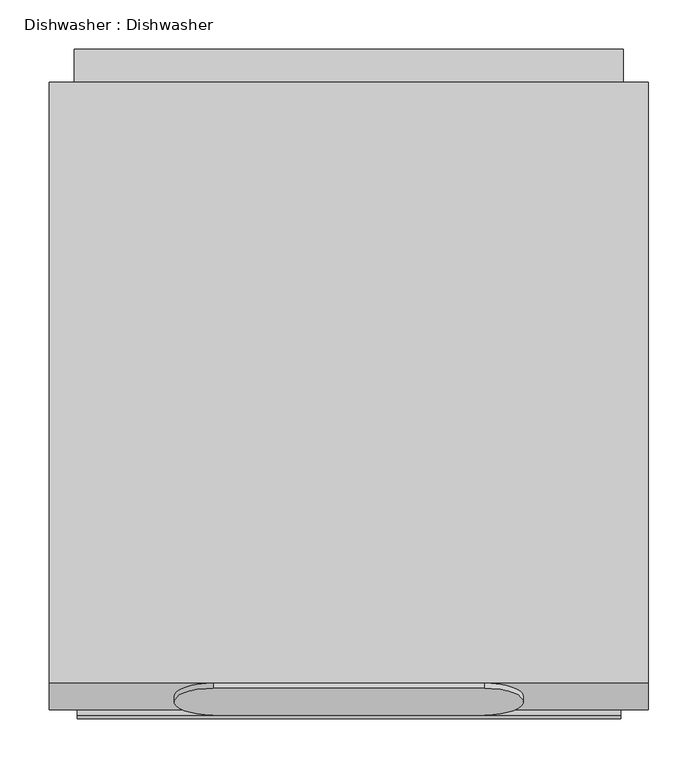
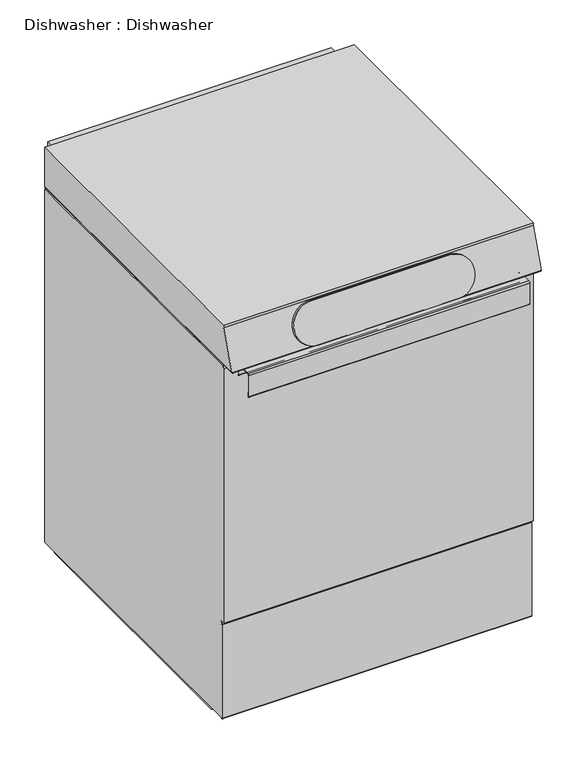
"""IFC4 building model written with IfcOpenShell, lengths in millimetres: proxy geometry, Dishwasher : Dishwasher."""

from ifc_helpers import new_model, si_unit, point, frame, frame_2d, origin, place, context, project, spatial, polyline, circle_curve, ellipse_curve, trimmed, segment, composite_curve, outline, extrude, source, transform, mapped, element, save
from ifc_brep_helpers import plane_surface, cylinder_surface, revolved_surface, advanced_brep


def dishwasher_dishwasher_46aedfeb(model_context):
    return source(origin(), model_context, "Body", "SolidModel", [
        extrude(outline(composite_curve([segment(polyline([(-309.0799254, 714.1088372), (-309.0799254, 731.9522064)]), True, "CONTINUOUS"), segment(trimmed(circle_curve(frame_2d((-310.6801254, 731.9522064)), 1.6002), [point((-309.0799254, 731.9522064))], [point((-310.6801254, 733.5524064))], True, "CARTESIAN"), True, "CONTINUOUS"), segment(polyline([(-310.6801254, 733.5524064), (-340.0169984, 733.5524064)]), True, "CONTINUOUS"), segment(trimmed(circle_curve(frame_2d((-340.0169984, 731.951927)), 1.6004794), [point((-340.0169984, 733.5524064))], [point((-341.6174778, 731.951927))], True, "CARTESIAN"), True, "CONTINUOUS"), segment(polyline([(-341.6174778, 731.951927), (-341.6174778, 696.6462318), (-340.4236524, 696.6462318), (-340.4236524, 688.3150572)]), True, "CONTINUOUS"), segment(trimmed(circle_curve(frame_2d((-341.6173381, 688.3150572)), 1.1936857), [point((-340.4236524, 688.3150572))], [point((-342.8110238, 688.3150572))], False, "CARTESIAN"), True, "CONTINUOUS"), segment(polyline([(-342.8110238, 688.3150572), (-342.8110238, 731.9522064)]), True, "CONTINUOUS"), segment(trimmed(circle_curve(frame_2d((-340.0169984, 731.9522064)), 2.7940254), [point((-342.8110238, 731.9522064))], [point((-340.0169984, 734.7462318))], False, "CARTESIAN"), True, "CONTINUOUS"), segment(polyline([(-340.0169984, 734.7462318), (-310.6801254, 734.7462318)]), True, "CONTINUOUS"), segment(trimmed(circle_curve(frame_2d((-310.6801254, 731.9522064)), 2.7940254), [point((-310.6801254, 734.7462318))], [point((-307.8861, 731.9522064))], False, "CARTESIAN"), True, "CONTINUOUS"), segment(polyline([(-307.8861, 731.9522064), (-307.8861, 714.108859)]), True, "CONTINUOUS"), segment(trimmed(circle_curve(frame_2d((-306.2987016, 714.108859)), 1.5873984), [point((-307.8861, 714.108859))], [point((-306.2987016, 712.5214606))], True, "CARTESIAN"), True, "CONTINUOUS"), segment(polyline([(-306.2987016, 712.5214606), (-306.2987016, 711.3276134)]), True, "CONTINUOUS"), segment(trimmed(circle_curve(frame_2d((-306.2987016, 714.1088372)), 2.7812238), [point((-306.2987016, 711.3276134))], [point((-309.0799254, 714.1088372))], False, "CARTESIAN"), True, "CONTINUOUS")], self_intersect=False)), frame((-275.8126056, 0.0, 0.0), z_axis=(1.0, 0.0, 0.0), x_axis=(0.0, 1.0, 0.0)), (0.0, 0.0, 1.0), 551.6362348),
        extrude(outline(composite_curve([segment(trimmed(circle_curve(frame_2d((-260.2605412, 7.937881)), 7.937881), [point((-260.2605412, 0.0))], [point((-267.5356295, 4.7625))], False, "CARTESIAN"), True, "CONTINUOUS"), segment(polyline([(-267.5356295, 4.7625), (274.0655123, 4.7625)]), True, "CONTINUOUS"), segment(trimmed(circle_curve(frame_2d((266.790424, 7.937881)), 7.937881), [point((274.0655123, 4.7625))], [point((266.790424, 0.0))], False, "CARTESIAN"), True, "CONTINUOUS"), segment(polyline([(266.790424, 0.0), (-260.2605412, 0.0)]), True, "CONTINUOUS")], self_intersect=False)), frame((-302.7987086, 0.0, 0.0), z_axis=(1.0, 0.0, 0.0), x_axis=(0.0, 1.0, 0.0)), (0.0, 0.0, 1.0), 26.1611872),
        extrude(outline(composite_curve([segment(trimmed(circle_curve(frame_2d((-260.2605412, 7.937881)), 7.937881), [point((-260.2605412, 0.0))], [point((-267.5356295, 4.7625))], False, "CARTESIAN"), True, "CONTINUOUS"), segment(polyline([(-267.5356295, 4.7625), (274.0655123, 4.7625)]), True, "CONTINUOUS"), segment(trimmed(circle_curve(frame_2d((266.790424, 7.937881)), 7.937881), [point((274.0655123, 4.7625))], [point((266.790424, 0.0))], False, "CARTESIAN"), True, "CONTINUOUS"), segment(polyline([(266.790424, 0.0), (-260.2605412, 0.0)]), True, "CONTINUOUS")], self_intersect=False)), frame((276.6375214, 0.0, 0.0), z_axis=(1.0, 0.0, 0.0), x_axis=(0.0, 1.0, 0.0)), (0.0, 0.0, 1.0), 26.1611872),
        extrude(outline(composite_curve([segment(polyline([(137.4666791, -48.5559241), (-137.4666791, -48.5559241)]), True, "CONTINUOUS"), segment(trimmed(circle_curve(frame_2d((-137.4666791, -8.8758189)), 39.6801052), [point((-137.4666791, -48.5559241))], [point((-137.4666791, 30.8042864))], False, "CARTESIAN"), True, "CONTINUOUS"), segment(polyline([(-137.4666791, 30.8042864), (137.4666791, 30.8042864)]), True, "CONTINUOUS"), segment(trimmed(circle_curve(frame_2d((137.4666791, -8.8758189)), 39.6801052), [point((137.4666791, 30.8042864))], [point((137.4666791, -48.5559241))], False, "CARTESIAN"), True, "CONTINUOUS")], self_intersect=False)), frame((0.0, -317.3980195, 789.2209938), z_axis=(0.0, -0.9396926207859075, 0.3420201433256714), x_axis=(1.0, 0.0, 0.0)), (0.0, 0.0, 1.0), 5.4860486),
        extrude(outline(polyline([(303.3017302, 739.7244032), (303.3017302, 807.3647556), (336.55, 807.3647556), (336.55, 736.7272032), (303.3014254, 736.7272032), (303.3014254, 738.2253714), (-293.5986, 738.2253714), (-293.5986, 739.7244032), (303.3017302, 739.7244032)])), frame((-278.60625, 0.0, 0.0), z_axis=(1.0, 0.0, 0.0), x_axis=(0.0, 1.0, 0.0)), (0.0, 0.0, 1.0), 557.2125),
        advanced_brep(
        [(304.00625, 303.3017302, 825.5), (304.00625, -306.2987016, 825.5), (304.00625, -306.2987016, 819.7161191), (304.00625, -334.0051236, 743.5933502), (304.00625, 303.3017302, 743.5933502), (-304.00625, -334.0051236, 743.5933502), (-304.00625, -306.2987016, 819.7161191), (-304.00625, -306.2987016, 825.5), (-304.00625, 303.3017302, 825.5), (-304.00625, 303.3017302, 743.5933502), (300.1367188, 303.3017302, 739.723819), (-300.1367188, 303.3017302, 739.723819), (300.1367188, -330.1355923, 739.723819), (-300.1367188, -330.1355923, 739.723819)],
        [
            (0, 1),
            (1, 2),
            (2, 3),
            (3, 4),
            (4, 0),
            (5, 6),
            (6, 7),
            (7, 8),
            (8, 9),
            (9, 5),
            (8, 0),
            (4, 10, circle_curve(frame((300.1367188, 303.3017302, 743.5933502), z_axis=(0.0, 1.0, 0.0), x_axis=(1.0, 0.0, 0.0)), 3.8695312)),
            (10, 11),
            (11, 9, circle_curve(frame((-300.1367188, 303.3017302, 743.5933502), z_axis=(0.0, 1.0, 0.0), x_axis=(-1.0, 0.0, 0.0)), 3.8695312)),
            (7, 1),
            (6, 2),
            (5, 3),
            (10, 12),
            (12, 13),
            (13, 11),
            (3, 12, ellipse_curve(frame((300.1367188, -330.1355923, 743.5933502), z_axis=(0.7071067811865492, 0.7071067811865458, 0.0), x_axis=(0.7071067811865457, -0.7071067811865492, 0.0)), 5.4723436, 3.8695312)),
            (5, 13, ellipse_curve(frame((-300.1367188, -330.1355923, 743.5933502), z_axis=(0.7071067811865456, -0.7071067811865493, 0.0), x_axis=(-0.7071067811865495, -0.7071067811865455, 0.0)), 5.4723436, 3.8695312)),
        ],
        [
            plane_surface(frame((304.00625, 303.3017302, 825.5), z_axis=(1.0, 0.0, 0.0), x_axis=(0.0, 0.0, 1.0))),
            plane_surface(frame((-304.00625, 303.3017302, 825.5), z_axis=(-1.0, 0.0, 0.0), x_axis=(0.0, 0.0, -1.0))),
            plane_surface(frame((304.00625, 303.3017302, 739.723819), z_axis=(0.0, 1.0, 0.0), x_axis=(-1.0, 0.0, 0.0))),
            plane_surface(frame((304.00625, 303.3017302, 825.5), z_axis=(0.0, 0.0, 1.0), x_axis=(-1.0, 0.0, 0.0))),
            plane_surface(frame((304.00625, -306.2987016, 825.5), z_axis=(0.0, -1.0, 0.0), x_axis=(-1.0, 0.0, 0.0))),
            plane_surface(frame((304.00625, -306.2987016, 819.7161191), z_axis=(0.0, -0.9396926207859084, 0.34202014332566893), x_axis=(-1.0, 0.0, 0.0))),
            plane_surface(frame((304.00625, -334.0051236, 739.723819), z_axis=(0.0, 0.0, -1.0), x_axis=(-1.0, 0.0, 0.0))),
            cylinder_surface(frame((300.1367188, 303.3017302, 743.5933502), z_axis=(0.0, -1.0, 0.0), x_axis=(1.0, 0.0, 0.0)), 3.8695312),
            cylinder_surface(frame((304.00625, -330.1355923, 743.5933502), z_axis=(-1.0, 0.0, 0.0), x_axis=(0.0, -1.0, 0.0)), 3.8695312),
            cylinder_surface(frame((-300.1367188, -334.0051236, 743.5933502), z_axis=(0.0, 1.0, 0.0), x_axis=(-1.0, 0.0, 0.0)), 3.8695312),
        ],
        [
            (0, [[1, 2, 3, 4, 5]]),
            (1, [[6, 7, 8, 9, 10]]),
            (2, [[11, -5, 12, 13, 14, -9]]),
            (3, [[-1, -11, -8, 15]]),
            (4, [[-2, -15, -7, 16]]),
            (5, [[-3, -16, -6, 17]]),
            (6, [[-13, 18, 19, 20]]),
            (7, [[21, -18, -12, -4]]),
            (8, [[-21, -17, 22, -19]]),
            (9, [[-22, -10, -14, -20]]),
        ],
    ),
        advanced_brep(
        [(304.00625, -295.275254, 204.8889984), (304.00625, -296.7737016, 204.8889984), (304.00625, -296.7737016, 202.499595), (304.00625, -297.6961928, 202.4188875), (304.00625, -301.3711016, 199.6567508), (304.00625, -301.3711016, 5.4833774), (304.00625, -298.374054, 5.4833774), (304.00625, -298.3713181, 199.6566391), (304.00625, -299.5929115, 199.6566391), (304.00625, -297.6858697, 200.9153994), (304.00625, -296.7737016, 200.9952038), (304.00625, -296.7737016, 4.7625), (304.00625, 303.3014254, 4.7625), (304.00625, 303.3014254, 204.8889984), (304.00625, 301.8029778, 204.8889984), (304.00625, 301.8029778, 206.3877508), (304.00625, 303.3014254, 206.3877508), (304.00625, 303.3014254, 738.2253714), (304.00625, -302.412019, 738.2253714), (304.00625, -306.2987016, 734.3386888), (304.00625, -306.2987016, 206.3877508), (304.00625, -295.275254, 206.3877508), (-304.00625, -295.275254, 204.8889984), (-304.00625, -295.275254, 206.3877508), (-304.00625, -306.2987016, 206.3877508), (-304.00625, -306.2987016, 734.3386888), (-304.00625, -302.412019, 738.2253714), (-304.00625, 303.3014254, 738.2253714), (-304.00625, 303.3014254, 206.3877508), (-304.00625, 301.8029778, 206.3877508), (-304.00625, 301.8029778, 204.8889984), (-304.00625, 303.3014254, 204.8889984), (-304.00625, 303.3014254, 4.7625), (-304.00625, -296.7737016, 4.7625), (-304.00625, -296.7737016, 200.9952038), (-304.00625, -297.6858697, 200.9153994), (-304.00625, -299.5929115, 199.6566391), (-304.00625, -298.3713181, 199.6566391), (-304.00625, -298.3713181, 5.4833774), (-304.00625, -301.3711016, 5.4833774), (-304.00625, -301.3711016, 199.6567508), (-304.00625, -297.6961928, 202.4188875), (-304.00625, -296.7737016, 202.499595), (-304.00625, -296.7737016, 204.8889984)],
        [
            (0, 1),
            (1, 2),
            (2, 3),
            (3, 4, circle_curve(frame((304.00625, -297.3173929, 198.0891843), z_axis=(1.0, 0.0, 0.0), x_axis=(0.0, 1.0, 0.0)), 4.346242)),
            (4, 5),
            (5, 6, circle_curve(frame((304.00625, -299.8725778, 5.4833774), z_axis=(1.0, 0.0, 0.0), x_axis=(0.0, 1.0, 0.0)), 1.4985238)),
            (6, 7),
            (7, 8),
            (8, 9, circle_curve(frame((304.00625, -297.4766945, 198.5245162), z_axis=(-1.0, 0.0, 0.0), x_axis=(0.0, 1.0, 0.0)), 2.400016)),
            (9, 10),
            (10, 11),
            (11, 12),
            (12, 13),
            (13, 14),
            (14, 15),
            (15, 16),
            (16, 17),
            (17, 18),
            (18, 19, circle_curve(frame((304.00625, -302.412019, 734.3386888), z_axis=(1.0, 0.0, 0.0), x_axis=(0.0, 1.0, 0.0)), 3.8866826)),
            (19, 20),
            (20, 21),
            (21, 0),
            (22, 23),
            (23, 24),
            (24, 25),
            (25, 26, circle_curve(frame((-304.00625, -302.412019, 734.3386888), z_axis=(-1.0, 0.0, 0.0), x_axis=(0.0, 1.0, 0.0)), 3.8866826)),
            (26, 27),
            (27, 28),
            (28, 29),
            (29, 30),
            (30, 31),
            (31, 32),
            (32, 33),
            (33, 34),
            (34, 35),
            (35, 36, circle_curve(frame((-304.00625, -297.4766945, 198.5245162), z_axis=(1.0, 0.0, 0.0), x_axis=(0.0, 1.0, 0.0)), 2.400016)),
            (36, 37),
            (37, 38),
            (38, 39, circle_curve(frame((-304.00625, -299.8725778, 5.4833774), z_axis=(-1.0, 0.0, 0.0), x_axis=(0.0, 1.0, 0.0)), 1.4985238)),
            (39, 40),
            (40, 41, circle_curve(frame((-304.00625, -297.3173929, 198.0891843), z_axis=(-1.0, 0.0, 0.0), x_axis=(0.0, 1.0, 0.0)), 4.346242)),
            (41, 42),
            (42, 43),
            (43, 22),
            (0, 22),
            (43, 1),
            (42, 2),
            (41, 3),
            (40, 4),
            (39, 5),
            (38, 6),
            (37, 7),
            (36, 8),
            (35, 9),
            (34, 10),
            (33, 11),
            (32, 12),
            (31, 13),
            (30, 14),
            (29, 15),
            (28, 16),
            (27, 17),
            (26, 18),
            (25, 19),
            (24, 20),
            (23, 21),
        ],
        [
            plane_surface(frame((304.00625, -295.275254, 204.8889984), z_axis=(1.0, 0.0, 0.0), x_axis=(0.0, -1.0, 0.0))),
            plane_surface(frame((-304.00625, -295.275254, 204.8889984), z_axis=(-1.0, 0.0, 0.0), x_axis=(0.0, 1.0, 0.0))),
            plane_surface(frame((304.00625, -295.275254, 204.8889984), z_axis=(0.0, 0.0, 1.0), x_axis=(-1.0, 0.0, 0.0))),
            plane_surface(frame((304.00625, -296.7737016, 204.8889984), z_axis=(0.0, -1.0, 0.0), x_axis=(-1.0, 0.0, 0.0))),
            plane_surface(frame((304.00625, -296.7737016, 202.499595), z_axis=(0.0, -0.08715574274767886, 0.9961946980917438), x_axis=(-1.0, 0.0, 0.0))),
            cylinder_surface(frame((-304.00625, -297.3173929, 198.0891843), z_axis=(1.0, 0.0, 0.0), x_axis=(0.0, 1.0, 0.0)), 4.346242),
            plane_surface(frame((304.00625, -301.3711016, 199.6567508), z_axis=(0.0, -1.0, 0.0), x_axis=(-1.0, 0.0, 0.0))),
            cylinder_surface(frame((-304.00625, -299.8725778, 5.4833774), z_axis=(1.0, 0.0, 0.0), x_axis=(0.0, 1.0, 0.0)), 1.4985238),
            plane_surface(frame((304.00625, -298.3713181, 5.4833774), z_axis=(0.0, 1.0, 0.0), x_axis=(-1.0, 0.0, 0.0))),
            plane_surface(frame((304.00625, -298.3713181, 199.6566391), z_axis=(0.0, 0.0, 1.0), x_axis=(-1.0, 0.0, 0.0))),
            revolved_surface(polyline([(-304.00625, -295.0766785, 198.5245162), (304.00625, -295.0766785, 198.5245162)]), (-304.00625, -297.4766945, 198.5245162), (-1.0, 0.0, 0.0)),
            plane_surface(frame((304.00625, -297.6858697, 200.9153994), z_axis=(0.0, 0.08715574274765384, -0.996194698091746), x_axis=(-1.0, 0.0, 0.0))),
            plane_surface(frame((304.00625, -296.7737016, 200.9952038), z_axis=(0.0, -1.0, 0.0), x_axis=(-1.0, 0.0, 0.0))),
            plane_surface(frame((304.00625, -296.7737016, 4.7625), z_axis=(0.0, 0.0, -1.0), x_axis=(-1.0, 0.0, 0.0))),
            plane_surface(frame((304.00625, 303.3014254, 4.7625), z_axis=(0.0, 1.0, 0.0), x_axis=(-1.0, 0.0, 0.0))),
            plane_surface(frame((304.00625, 303.3014254, 204.8889984), z_axis=(0.0, 0.0, 1.0), x_axis=(-1.0, 0.0, 0.0))),
            plane_surface(frame((304.00625, 301.8029778, 204.8889984), z_axis=(0.0, 1.0, 0.0), x_axis=(-1.0, 0.0, 0.0))),
            plane_surface(frame((304.00625, 301.8029778, 206.3877508), z_axis=(0.0, 0.0, -1.0), x_axis=(-1.0, 0.0, 0.0))),
            plane_surface(frame((304.00625, 303.3014254, 206.3877508), z_axis=(0.0, 1.0, 0.0), x_axis=(-1.0, 0.0, 0.0))),
            plane_surface(frame((304.00625, 303.3014254, 738.2253714), z_axis=(0.0, 0.0, 1.0), x_axis=(-1.0, 0.0, 0.0))),
            cylinder_surface(frame((-304.00625, -302.412019, 734.3386888), z_axis=(1.0, 0.0, 0.0), x_axis=(0.0, 1.0, 0.0)), 3.8866826),
            plane_surface(frame((304.00625, -306.2987016, 734.3386888), z_axis=(0.0, -1.0, 0.0), x_axis=(-1.0, 0.0, 0.0))),
            plane_surface(frame((304.00625, -306.2987016, 206.3877508), z_axis=(0.0, 0.0, -1.0), x_axis=(-1.0, 0.0, 0.0))),
            plane_surface(frame((304.00625, -295.275254, 206.3877508), z_axis=(0.0, -1.0, 0.0), x_axis=(-1.0, 0.0, 0.0))),
        ],
        [
            (0, [[1, 2, 3, 4, 5, 6, 7, 8, 9, 10, 11, 12, 13, 14, 15, 16, 17, 18, 19, 20, 21, 22]]),
            (1, [[23, 24, 25, 26, 27, 28, 29, 30, 31, 32, 33, 34, 35, 36, 37, 38, 39, 40, 41, 42, 43, 44]]),
            (2, [[-1, 45, -44, 46]]),
            (3, [[-2, -46, -43, 47]]),
            (4, [[-3, -47, -42, 48]]),
            (5, [[-4, -48, -41, 49]]),
            (6, [[-5, -49, -40, 50]]),
            (7, [[-6, -50, -39, 51]]),
            (8, [[-7, -51, -38, 52]]),
            (9, [[-8, -52, -37, 53]]),
            (10, [[-9, -53, -36, 54]]),
            (11, [[-10, -54, -35, 55]]),
            (12, [[-11, -55, -34, 56]]),
            (13, [[-12, -56, -33, 57]]),
            (14, [[-13, -57, -32, 58]]),
            (15, [[-14, -58, -31, 59]]),
            (16, [[-15, -59, -30, 60]]),
            (17, [[-16, -60, -29, 61]]),
            (18, [[-17, -61, -28, 62]]),
            (19, [[-18, -62, -27, 63]]),
            (20, [[-19, -63, -26, 64]]),
            (21, [[-20, -64, -25, 65]]),
            (22, [[-21, -65, -24, 66]]),
            (23, [[-22, -66, -23, -45]]),
        ],
    ),
    ])


if __name__ == "__main__":
    model = new_model("IFC4")
    model_context = context("Model", 3, world=origin())
    ifc_project = project(units=[si_unit("LENGTHUNIT", "METRE", prefix="MILLI")], contexts=[model_context])
    site = spatial("IfcSite", under=ifc_project)
    building = spatial("IfcBuilding", under=site)
    placement = place(None, origin())
    dishwasher_dishwasher_shape = dishwasher_dishwasher_46aedfeb(model_context)
    element("IfcBuildingElementProxy", 1, Name="Dishwasher : Dishwasher", ObjectType="Dishwasher : Dishwasher", at=placement, inside=building, context=model_context, shape_type="MappedRepresentation", body=[
        mapped(dishwasher_dishwasher_shape, transform((0.0, 0.0, 0.0), x_axis=(1.0, 0.0, 0.0), y_axis=(0.0, 1.0, 0.0), z_axis=(0.0, 0.0, 1.0))),
    ])
    save(model, "model.ifc")
